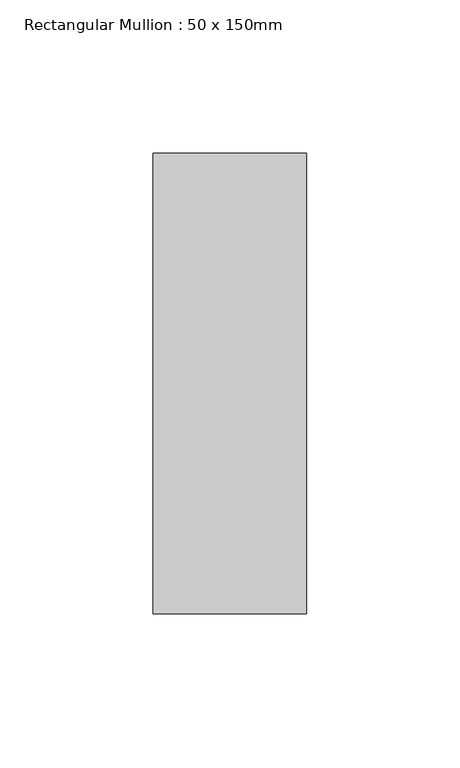
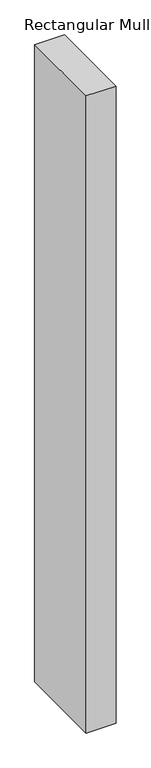
"""IFC4 building model written with IfcOpenShell, lengths in millimetres: member geometry, Rectangular Mullion : 50 x 150mm."""

import ifcopenshell
import ifcopenshell.guid

model = None  # the IFC model being written
_history = None  # IfcOwnerHistory: only IFC2X3 demands one
_inside = {}  # id of a spatial element -> (the spatial element, [elements in it])
_under = {}  # id of a project, library or spatial element -> (it, [spatial elements below it])
_declared = {}  # id of a project -> (the project, [libraries it declares])
_typed = {}  # id of a type object -> (the type object, [elements of that type])
_made_of = {}  # id of a material, layer set ... -> (it, [elements and type objects made of it])


def new_model(schema):
    """Start an empty IFC model of exactly this schema.

    Asked for "IFC4X3", IfcOpenShell would pick the latest addendum, in which some entities
    have other attributes; the version numbers below select the first issue.
    IFC2X3 requires an IfcOwnerHistory on every rooted entity: one is made here for all.
    """
    global model, _history
    if schema == "IFC4X3":
        model = ifcopenshell.file(schema_version=(4, 3, 0, 0))
    else:
        model = ifcopenshell.file(schema=schema)
    _inside.clear()
    _under.clear()
    _declared.clear()
    _typed.clear()
    _made_of.clear()
    _history = None
    if model.schema == "IFC2X3":
        org = make("IfcOrganization", Name="unknown")
        user = make(
            "IfcPersonAndOrganization",
            ThePerson=make("IfcPerson", FamilyName="unknown"),
            TheOrganization=org,
        )
        app = make(
            "IfcApplication",
            ApplicationDeveloper=org,
            Version="unknown",
            ApplicationFullName="unknown",
            ApplicationIdentifier="unknown",
        )
        _history = make(
            "IfcOwnerHistory",
            OwningUser=user,
            OwningApplication=app,
            ChangeAction="ADDED",
            CreationDate=0,
        )
    return model


def make(cls, **values):
    """One entity of the class cls with the attributes given. An attribute that is None is left unset."""
    return model.create_entity(
        cls, **{name: value for name, value in values.items() if value is not None}
    )


def rooted(cls, **values):
    """An entity with a GlobalId (a new one), such as an element, a storey or a relation."""
    return make(cls, GlobalId=ifcopenshell.guid.new(), OwnerHistory=_history, **values)


def si_unit(unit_type, name, prefix=None):
    """IfcSIUnit, for example si_unit("LENGTHUNIT", "METRE", prefix="MILLI")."""
    return make("IfcSIUnit", UnitType=unit_type, Prefix=prefix, Name=name)


def assignment(units):
    """IfcUnitAssignment: the units of a project."""
    return None if units is None else make("IfcUnitAssignment", Units=units)


def point(xyz):
    """IfcCartesianPoint."""
    return None if xyz is None else make("IfcCartesianPoint", Coordinates=xyz)


def direction(xyz):
    """IfcDirection."""
    return None if xyz is None else make("IfcDirection", DirectionRatios=xyz)


def frame(location, z_axis=None, x_axis=None):
    """IfcAxis2Placement3D, a coordinate frame: its origin and axes. An axis left out is left unset."""
    return make(
        "IfcAxis2Placement3D",
        Location=point(location),
        Axis=direction(z_axis),
        RefDirection=direction(x_axis),
    )


def origin():
    """The frame at (0, 0, 0) with its axes left unset."""
    return frame((0.0, 0.0, 0.0))


def place(relative_to, where):
    """IfcLocalPlacement: puts the frame where relative to a parent placement (None: the world)."""
    return make(
        "IfcLocalPlacement", PlacementRelTo=relative_to, RelativePlacement=where
    )


def context(
    kind, dimensions, precision=None, world=None, true_north=None, identifier=None
):
    """IfcGeometricRepresentationContext, for example the 3D "Model" context."""
    return make(
        "IfcGeometricRepresentationContext",
        ContextIdentifier=identifier,
        ContextType=kind,
        CoordinateSpaceDimension=dimensions,
        Precision=precision,
        WorldCoordinateSystem=world,
        TrueNorth=true_north,
    )


def project(units=None, contexts=None):
    """IfcProject with its units and contexts."""
    return rooted(
        "IfcProject",
        Name="project",
        RepresentationContexts=contexts,
        UnitsInContext=assignment(units),
    )


def spatial(cls, under=None, at=None, **own):
    """A site, building, storey or space (cls), placed at a placement, below another one or the project."""
    s = rooted(cls, ObjectPlacement=at, **own)
    if under is not None:
        _under.setdefault(under.id(), (under, []))[1].append(s)
    return s


def polyline(points):
    """IfcPolyline through the points."""
    return make("IfcPolyline", Points=[point(p) for p in points])


def outline(outer, holes=None, kind="AREA"):
    """IfcArbitraryClosedProfileDef: a profile drawn as a closed curve; with holes, ...WithVoids."""
    if holes is None:
        return make("IfcArbitraryClosedProfileDef", ProfileType=kind, OuterCurve=outer)
    return make(
        "IfcArbitraryProfileDefWithVoids",
        ProfileType=kind,
        OuterCurve=outer,
        InnerCurves=holes,
    )


def extrude(swept, where, along, depth):
    """IfcExtrudedAreaSolid: the profile swept, set in the frame where, extruded along a direction by depth."""
    return make(
        "IfcExtrudedAreaSolid",
        SweptArea=swept,
        Position=where,
        ExtrudedDirection=direction(along),
        Depth=depth,
    )


def shape(context_of_items, identifier, shape_type, items):
    """IfcShapeRepresentation: the items that make up one representation, for example the "Body"."""
    return make(
        "IfcShapeRepresentation",
        ContextOfItems=context_of_items,
        RepresentationIdentifier=identifier,
        RepresentationType=shape_type,
        Items=items,
    )


def source(mapping_origin, context_of_items, identifier, shape_type, items):
    """IfcRepresentationMap: a shape defined once, which mapped items show again and again."""
    return make(
        "IfcRepresentationMap",
        MappingOrigin=mapping_origin,
        MappedRepresentation=shape(context_of_items, identifier, shape_type, items),
    )


def transform(
    local_origin,
    x_axis=None,
    y_axis=None,
    z_axis=None,
    scale=None,
    scale2=None,
    scale3=None,
    uniform=True,
):
    """IfcCartesianTransformationOperator3D, or its non-uniform kind. x_axis, y_axis, z_axis: its Axis1, 2, 3."""
    if uniform:
        return make(
            "IfcCartesianTransformationOperator3D",
            Axis1=direction(x_axis),
            Axis2=direction(y_axis),
            LocalOrigin=point(local_origin),
            Scale=scale,
            Axis3=direction(z_axis),
        )
    return make(
        "IfcCartesianTransformationOperator3DnonUniform",
        Axis1=direction(x_axis),
        Axis2=direction(y_axis),
        LocalOrigin=point(local_origin),
        Scale=scale,
        Axis3=direction(z_axis),
        Scale2=scale2,
        Scale3=scale3,
    )


def mapped(mapping_source, mapping_target):
    """IfcMappedItem: shows the shape of a source again, moved by a transform."""
    return make(
        "IfcMappedItem", MappingSource=mapping_source, MappingTarget=mapping_target
    )


def made_of(thing, what):
    """Note that an element or type object is made of a material, layer set ...; save() writes the relation."""
    if what is not None:
        _made_of.setdefault(what.id(), (what, []))[1].append(thing)
    return thing


def element(
    cls,
    number,
    at=None,
    inside=None,
    cuts=None,
    type_object=None,
    material=None,
    context=None,
    identifier="Body",
    shape_type=None,
    held_by="IfcProductDefinitionShape",
    body=None,
    shapes=None,
    **own,
):
    """One element of the class cls, such as IfcWall. Its Tag is "e" and its number.

    at: its placement. inside: the storey or other place that contains it. cuts: it is an
    opening in that element (IfcRelVoidsElement). A single representation is given by context,
    identifier, shape_type and body (its items); several are given by shapes. held_by: the class
    of the entity that holds the representations. save() writes the other relations.
    """
    e = rooted(cls, Tag="e%d" % number, ObjectPlacement=at, **own)
    if body is not None:
        shapes = [shape(context, identifier, shape_type, body)]
    if shapes is not None:
        e.Representation = make(held_by, Representations=shapes)
    if inside is not None:
        _inside.setdefault(inside.id(), (inside, []))[1].append(e)
    if cuts is not None:
        rooted(
            "IfcRelVoidsElement", RelatingBuildingElement=cuts, RelatedOpeningElement=e
        )
    if type_object is not None:
        _typed.setdefault(type_object.id(), (type_object, []))[1].append(e)
    return made_of(e, material)


def aggregate(whole, parts):
    """IfcRelAggregates: a whole, such as a stair, and the parts it consists of."""
    return rooted("IfcRelAggregates", RelatingObject=whole, RelatedObjects=parts)


def save(model, path):
    """Write the relations noted so far, then the file.

    IfcRelAggregates (storeys below a building ...), IfcRelContainedInSpatialStructure (elements
    in a storey), IfcRelDefinesByType, IfcRelAssociatesMaterial and IfcRelDeclares: one each for
    every whole, place, type object, material and project.
    """
    for whole, parts in _under.values():
        aggregate(whole, parts)
    for where, things in _inside.values():
        rooted(
            "IfcRelContainedInSpatialStructure",
            RelatedElements=things,
            RelatingStructure=where,
        )
    for kind, things in _typed.values():
        rooted("IfcRelDefinesByType", RelatedObjects=things, RelatingType=kind)
    for what, things in _made_of.values():
        rooted("IfcRelAssociatesMaterial", RelatedObjects=things, RelatingMaterial=what)
    for by, libraries in _declared.values():
        rooted("IfcRelDeclares", RelatingContext=by, RelatedDefinitions=libraries)
    model.write(path)


def rectangular_mullion_50_x_150mm_d3900c84(model_context):
    return source(origin(), model_context, "Body", "SweptSolid", [
        extrude(outline(polyline([(0.0, 75.0), (0.0, -75.0), (-50.0, -75.0), (-50.0, 75.0), (0.0, 75.0)])), frame((0.0, 0.0, -1132.487152), z_axis=(0.0, 0.0, 1.0), x_axis=(1.0, 0.0, 0.0)), (0.0, 0.0, 1.0), 1132.487152),
    ])


if __name__ == "__main__":
    model = new_model("IFC4")
    model_context = context("Model", 3, world=origin())
    ifc_project = project(units=[si_unit("LENGTHUNIT", "METRE", prefix="MILLI")], contexts=[model_context])
    site = spatial("IfcSite", under=ifc_project)
    building = spatial("IfcBuilding", under=site)
    placement = place(None, origin())
    rectangular_mullion_50_x_150mm_shape = rectangular_mullion_50_x_150mm_d3900c84(model_context)
    element("IfcMember", 1, ObjectType="Rectangular Mullion : 50 x 150mm", at=placement, inside=building, context=model_context, shape_type="MappedRepresentation", body=[
        mapped(rectangular_mullion_50_x_150mm_shape, transform((0.0, 0.0, 0.0), x_axis=(1.0, 0.0, 0.0), y_axis=(0.0, 1.0, 0.0), z_axis=(0.0, 0.0, 1.0))),
    ])
    save(model, "model.ifc")
